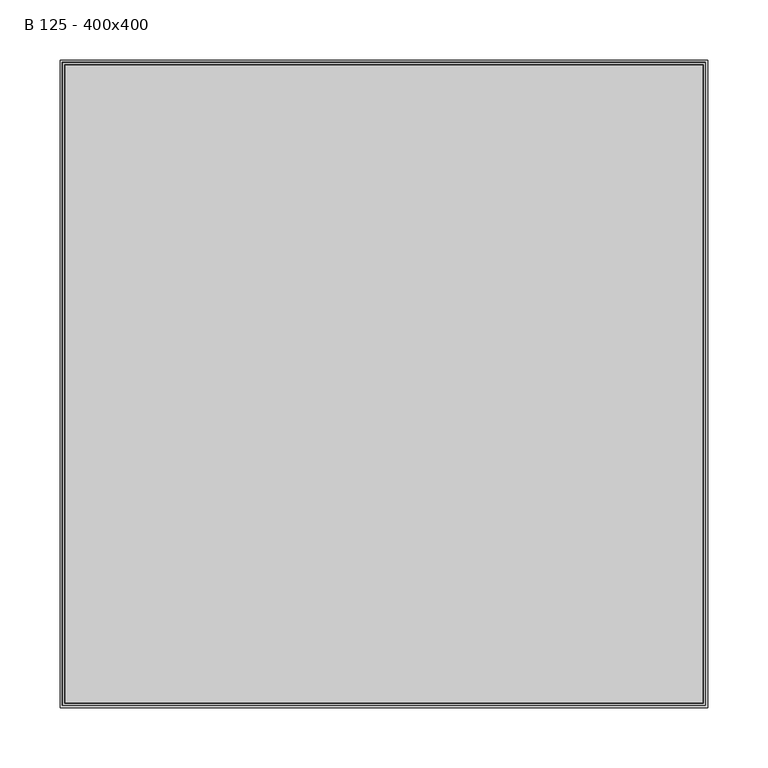
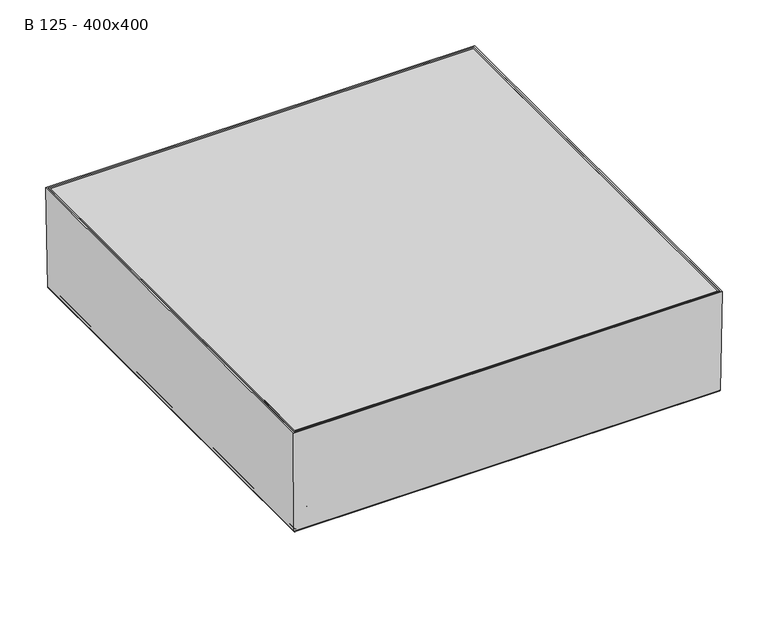
"""IFC4 building model written with IfcOpenShell, lengths in millimetres: proxy geometry, B 125 - 400x400."""

from ifc_helpers import new_model, si_unit, frame, origin, place, context, project, spatial, polyline, ellipse_curve, outline, extrude, faceted_brep, source, transform, mapped, element, save
from ifc_brep_helpers import plane_surface, cylinder_surface, revolved_surface, advanced_brep


def b_125_400x400_27d3137f(model_context):
    return source(origin(), model_context, "Body", "SolidModel", [
        extrude(outline(polyline([(265.4987812, 265.4987812), (265.4987812, -265.4987812), (-265.4987812, -265.4987812), (-265.4987812, 265.4987812), (265.4987812, 265.4987812)])), frame((0.0, 0.0, -5.0), z_axis=(0.0, 0.0, 1.0), x_axis=(1.0, 0.0, 0.0)), (0.0, 0.0, 1.0), 5.0),
        faceted_brep([(261.3786863, 261.3786863, -117.9987834), (-261.3786863, 261.3786863, -117.9987834), (-261.3786863, -261.3786863, -117.9987834), (261.3786863, -261.3786863, -117.9987834), (263.3100297, 263.3100297, -120.0), (263.3100297, -263.3100297, -120.0), (-263.3100297, -263.3100297, -120.0), (-263.3100297, 263.3100297, -120.0), (267.5, 267.5, 0.0), (267.5, -267.5, 0.0), (-267.5, -267.5, 0.0), (-267.5, 267.5, 0.0), (265.4987812, -265.4987812, 0.0), (265.4987812, 265.4987812, 0.0), (-265.4987812, -265.4987812, 0.0), (-265.4987812, 265.4987812, 0.0)], [[[0, 1, 2, 3]], [[4, 5, 6, 7]], [[4, 8, 9, 5]], [[5, 9, 10, 6]], [[6, 10, 11, 7]], [[8, 4, 7, 11]], [[0, 3, 12, 13]], [[3, 2, 14, 12]], [[2, 1, 15, 14]], [[1, 0, 13, 15]], [[9, 8, 11, 10], [13, 12, 14, 15]]]),
        extrude(outline(polyline([(-175.0, 135.0), (-165.0, 135.0), (-165.0, 5.0), (165.0, 5.0), (165.0, 135.0), (175.0, 135.0), (175.0, -135.0), (165.0, -135.0), (165.0, -5.0), (-165.0, -5.0), (-165.0, -135.0), (-175.0, -135.0), (-175.0, 135.0)])), frame((0.0, 0.0, -187.1), z_axis=(0.0, 0.0, 1.0), x_axis=(1.0, 0.0, 0.0)), (0.0, 0.0, 1.0), 43.1),
        extrude(outline(polyline([(135.0, 175.0), (135.0, 165.0), (5.0, 165.0), (5.0, -165.0), (135.0, -165.0), (135.0, -175.0), (-135.0, -175.0), (-135.0, -165.0), (-5.0, -165.0), (-5.0, 165.0), (-135.0, 165.0), (-135.0, 175.0), (135.0, 175.0)])), frame((0.0, 0.0, -187.1), z_axis=(0.0, 0.0, 1.0), x_axis=(1.0, 0.0, 0.0)), (0.0, 0.0, 1.0), 43.1),
        advanced_brep(
        [(266.5603915, 266.5603915, -133.0), (267.8917116, 267.8917116, -131.7973005), (267.8917116, -267.8917116, -131.7973005), (266.5603915, -266.5603915, -133.0), (233.991936, 233.991936, -133.5068236), (234.8495131, 234.8495131, -133.0), (234.8495131, -234.8495131, -133.0), (233.991936, -233.991936, -133.5068236), (224.0430631, 224.0430631, -143.4568727), (224.0430631, -224.0430631, -143.4568727), (223.0631773, 223.0631773, -144.0), (223.0631773, -223.0631773, -144.0), (200.0, 200.0, -142.0), (202.0, 202.0, -144.0), (202.0, -202.0, -144.0), (200.0, -200.0, -142.0), (200.0, 200.0, -131.0), (200.0, -200.0, -131.0), (202.0, 202.0, -131.0), (202.0, -202.0, -131.0), (202.0, -202.0, -140.1412819), (202.0, 202.0, -140.1412819), (203.5596496, 203.5596496, -142.0), (203.5596496, -203.5596496, -142.0), (223.1238392, 223.1238392, -141.5476755), (222.3710448, 222.3710448, -142.0), (222.3710448, -222.3710448, -142.0), (223.1238392, -223.1238392, -141.5476755), (233.2056833, 233.2056833, -131.4646396), (233.2056833, -233.2056833, -131.4646396), (234.1109139, 234.1109139, -130.9987834), (234.1109139, -234.1109139, -130.9987834), (265.914412, 265.914412, -129.9192491), (264.7898686, 264.7898686, -130.9987834), (264.7898686, -264.7898686, -130.9987834), (265.914412, -265.914412, -129.9192491), (267.4987388, 267.4987388, 0.0), (267.4987388, -267.4987388, 0.0), (269.4989406, 269.4989406, 0.0), (269.4989406, -269.4989406, 0.0), (-267.8917116, -267.8917116, -131.7973005), (-266.5603915, -266.5603915, -133.0), (-234.8495131, -234.8495131, -133.0), (-233.991936, -233.991936, -133.5068236), (-224.0430631, -224.0430631, -143.4568727), (-223.0631773, -223.0631773, -144.0), (-202.0, -202.0, -144.0), (-200.0, -200.0, -142.0), (-200.0, -200.0, -131.0), (-202.0, -202.0, -131.0), (-202.0, -202.0, -140.1412819), (-203.5596496, -203.5596496, -142.0), (-222.3710448, -222.3710448, -142.0), (-223.1238392, -223.1238392, -141.5476755), (-233.2056833, -233.2056833, -131.4646396), (-234.1109139, -234.1109139, -130.9987834), (-264.7898686, -264.7898686, -130.9987834), (-265.914412, -265.914412, -129.9192491), (-267.4987388, -267.4987388, 0.0), (-269.4989406, -269.4989406, 0.0), (-267.8917116, 267.8917116, -131.7973005), (-266.5603915, 266.5603915, -133.0), (-234.8495131, 234.8495131, -133.0), (-233.991936, 233.991936, -133.5068236), (-224.0430631, 224.0430631, -143.4568727), (-223.0631773, 223.0631773, -144.0), (-202.0, 202.0, -144.0), (-200.0, 200.0, -142.0), (-200.0, 200.0, -131.0), (-202.0, 202.0, -131.0), (-202.0, 202.0, -140.1412819), (-203.5596496, 203.5596496, -142.0), (-222.3710448, 222.3710448, -142.0), (-223.1238392, 223.1238392, -141.5476755), (-233.2056833, 233.2056833, -131.4646396), (-234.1109139, 234.1109139, -130.9987834), (-264.7898686, 264.7898686, -130.9987834), (-265.914412, 265.914412, -129.9192491), (-267.4987388, 267.4987388, 0.0), (-269.4989406, 269.4989406, 0.0)],
        [
            (0, 1, ellipse_curve(frame((266.5603915, 266.5603915, -131.6618023), z_axis=(0.7071067811865475, -0.7071067811865475, 0.0), x_axis=(0.7071067811865474, 0.7071067811865476, 0.0)), 1.8924973, 1.3381977)),
            (1, 2),
            (2, 3, ellipse_curve(frame((266.5603915, -266.5603915, -131.6618023), z_axis=(0.7071067811865475, 0.7071067811865475, 0.0), x_axis=(-0.7071067811865474, 0.7071067811865476, 0.0)), 1.8924973, 1.3381977)),
            (3, 0),
            (4, 5, ellipse_curve(frame((235.4062332, 235.4062332, -134.9209536), z_axis=(-0.7071067811865475, 0.7071067811865475, 0.0), x_axis=(-0.7071067811865474, -0.7071067811865476, 0.0)), 2.8284271, 2.0)),
            (5, 6),
            (6, 7, ellipse_curve(frame((235.4062332, -235.4062332, -134.9209536), z_axis=(-0.7071067811865475, -0.7071067811865475, 0.0), x_axis=(0.7071067811865474, -0.7071067811865476, 0.0)), 2.8284271, 2.0)),
            (7, 4),
            (8, 4),
            (7, 9),
            (9, 8),
            (10, 8, ellipse_curve(frame((221.5169048, 221.5169048, -140.0547885), z_axis=(0.7071067811865475, -0.7071067811865475, 0.0), x_axis=(0.7071067811865474, 0.7071067811865476, 0.0)), 5.9926042, 4.237411)),
            (9, 11, ellipse_curve(frame((221.5169048, -221.5169048, -140.0547885), z_axis=(0.7071067811865475, 0.7071067811865475, 0.0), x_axis=(-0.7071067811865474, 0.7071067811865476, 0.0)), 5.9926042, 4.237411)),
            (11, 10),
            (12, 13, ellipse_curve(frame((203.5491099, 203.5491099, -140.4508901), z_axis=(0.7071067811865475, -0.7071067811865475, 0.0), x_axis=(0.7071067811865474, 0.7071067811865476, 0.0)), 5.4764811, 3.872457)),
            (13, 14),
            (14, 15, ellipse_curve(frame((203.5491099, -203.5491099, -140.4508901), z_axis=(0.7071067811865475, 0.7071067811865475, 0.0), x_axis=(-0.7071067811865474, 0.7071067811865476, 0.0)), 5.4764811, 3.872457)),
            (15, 12),
            (16, 12),
            (15, 17),
            (17, 16),
            (18, 19),
            (19, 20),
            (20, 21),
            (21, 18),
            (22, 21, ellipse_curve(frame((203.9978512, 203.9978512, -140.0485955), z_axis=(-0.7071067811865475, 0.7071067811865475, 0.0), x_axis=(-0.7071067811865474, -0.7071067811865476, 0.0)), 2.8284271, 2.0)),
            (20, 23, ellipse_curve(frame((203.9978512, -203.9978512, -140.0485955), z_axis=(-0.7071067811865475, -0.7071067811865475, 0.0), x_axis=(0.7071067811865474, -0.7071067811865476, 0.0)), 2.8284271, 2.0)),
            (23, 22),
            (24, 25, ellipse_curve(frame((221.7425005, 221.7425005, -140.1013342), z_axis=(-0.7071067811865475, 0.7071067811865475, 0.0), x_axis=(-0.7071067811865474, -0.7071067811865476, 0.0)), 2.8284271, 2.0)),
            (25, 26),
            (26, 27, ellipse_curve(frame((221.7425005, -221.7425005, -140.1013342), z_axis=(-0.7071067811865475, -0.7071067811865475, 0.0), x_axis=(0.7071067811865474, -0.7071067811865476, 0.0)), 2.8284271, 2.0)),
            (27, 24),
            (28, 24),
            (27, 29),
            (29, 28),
            (30, 28, ellipse_curve(frame((234.4486156, 234.4486156, -132.7674195), z_axis=(0.7071067811865475, -0.7071067811865475, 0.0), x_axis=(0.7071067811865474, 0.7071067811865476, 0.0)), 2.5464155, 1.8005877)),
            (29, 31, ellipse_curve(frame((234.4486156, -234.4486156, -132.7674195), z_axis=(0.7071067811865475, 0.7071067811865475, 0.0), x_axis=(-0.7071067811865474, 0.7071067811865476, 0.0)), 2.5464155, 1.8005877)),
            (31, 30),
            (32, 33, ellipse_curve(frame((264.625281, 264.625281, -129.7018519), z_axis=(-0.7071067811865475, 0.7071067811865475, 0.0), x_axis=(-0.7071067811865474, -0.7071067811865476, 0.0)), 1.8488485, 1.3073333)),
            (33, 34),
            (34, 35, ellipse_curve(frame((264.625281, -264.625281, -129.7018519), z_axis=(-0.7071067811865475, -0.7071067811865475, 0.0), x_axis=(0.7071067811865474, -0.7071067811865476, 0.0)), 1.8488485, 1.3073333)),
            (35, 32),
            (36, 32),
            (35, 37),
            (37, 36),
            (1, 38),
            (38, 39),
            (39, 2),
            (2, 40),
            (40, 41, ellipse_curve(frame((-266.5603915, -266.5603915, -131.6618023), z_axis=(0.7071067811865475, -0.7071067811865475, 0.0), x_axis=(0.7071067811865476, 0.7071067811865474, 0.0)), 1.8924973, 1.3381977)),
            (41, 3),
            (6, 42),
            (42, 43, ellipse_curve(frame((-235.4062332, -235.4062332, -134.9209536), z_axis=(-0.7071067811865475, 0.7071067811865475, 0.0), x_axis=(-0.7071067811865476, -0.7071067811865474, 0.0)), 2.8284271, 2.0)),
            (43, 7),
            (43, 44),
            (44, 9),
            (44, 45, ellipse_curve(frame((-221.5169048, -221.5169048, -140.0547885), z_axis=(0.7071067811865475, -0.7071067811865475, 0.0), x_axis=(0.7071067811865476, 0.7071067811865474, 0.0)), 5.9926042, 4.237411)),
            (45, 11),
            (14, 46),
            (46, 47, ellipse_curve(frame((-203.5491099, -203.5491099, -140.4508901), z_axis=(0.7071067811865475, -0.7071067811865475, 0.0), x_axis=(0.7071067811865476, 0.7071067811865474, 0.0)), 5.4764811, 3.872457)),
            (47, 15),
            (47, 48),
            (48, 17),
            (19, 49),
            (49, 50),
            (50, 20),
            (50, 51, ellipse_curve(frame((-203.9978512, -203.9978512, -140.0485955), z_axis=(-0.7071067811865475, 0.7071067811865475, 0.0), x_axis=(-0.7071067811865476, -0.7071067811865474, 0.0)), 2.8284271, 2.0)),
            (51, 23),
            (26, 52),
            (52, 53, ellipse_curve(frame((-221.7425005, -221.7425005, -140.1013342), z_axis=(-0.7071067811865475, 0.7071067811865475, 0.0), x_axis=(-0.7071067811865476, -0.7071067811865474, 0.0)), 2.8284271, 2.0)),
            (53, 27),
            (53, 54),
            (54, 29),
            (54, 55, ellipse_curve(frame((-234.4486156, -234.4486156, -132.7674195), z_axis=(0.7071067811865475, -0.7071067811865475, 0.0), x_axis=(0.7071067811865476, 0.7071067811865474, 0.0)), 2.5464155, 1.8005877)),
            (55, 31),
            (34, 56),
            (56, 57, ellipse_curve(frame((-264.625281, -264.625281, -129.7018519), z_axis=(-0.7071067811865475, 0.7071067811865475, 0.0), x_axis=(-0.7071067811865476, -0.7071067811865474, 0.0)), 1.8488485, 1.3073333)),
            (57, 35),
            (57, 58),
            (58, 37),
            (39, 59),
            (59, 40),
            (40, 60),
            (60, 61, ellipse_curve(frame((-266.5603915, 266.5603915, -131.6618023), z_axis=(-0.7071067811865475, -0.7071067811865475, 0.0), x_axis=(0.7071067811865474, -0.7071067811865476, 0.0)), 1.8924973, 1.3381977)),
            (61, 41),
            (42, 62),
            (62, 63, ellipse_curve(frame((-235.4062332, 235.4062332, -134.9209536), z_axis=(0.7071067811865475, 0.7071067811865475, 0.0), x_axis=(-0.7071067811865474, 0.7071067811865476, 0.0)), 2.8284271, 2.0)),
            (63, 43),
            (63, 64),
            (64, 44),
            (64, 65, ellipse_curve(frame((-221.5169048, 221.5169048, -140.0547885), z_axis=(-0.7071067811865475, -0.7071067811865475, 0.0), x_axis=(0.7071067811865474, -0.7071067811865476, 0.0)), 5.9926042, 4.237411)),
            (65, 45),
            (46, 66),
            (66, 67, ellipse_curve(frame((-203.5491099, 203.5491099, -140.4508901), z_axis=(-0.7071067811865475, -0.7071067811865475, 0.0), x_axis=(0.7071067811865474, -0.7071067811865476, 0.0)), 5.4764811, 3.872457)),
            (67, 47),
            (67, 68),
            (68, 48),
            (49, 69),
            (69, 70),
            (70, 50),
            (70, 71, ellipse_curve(frame((-203.9978512, 203.9978512, -140.0485955), z_axis=(0.7071067811865475, 0.7071067811865475, 0.0), x_axis=(-0.7071067811865474, 0.7071067811865476, 0.0)), 2.8284271, 2.0)),
            (71, 51),
            (52, 72),
            (72, 73, ellipse_curve(frame((-221.7425005, 221.7425005, -140.1013342), z_axis=(0.7071067811865475, 0.7071067811865475, 0.0), x_axis=(-0.7071067811865474, 0.7071067811865476, 0.0)), 2.8284271, 2.0)),
            (73, 53),
            (73, 74),
            (74, 54),
            (74, 75, ellipse_curve(frame((-234.4486156, 234.4486156, -132.7674195), z_axis=(-0.7071067811865475, -0.7071067811865475, 0.0), x_axis=(0.7071067811865474, -0.7071067811865476, 0.0)), 2.5464155, 1.8005877)),
            (75, 55),
            (56, 76),
            (76, 77, ellipse_curve(frame((-264.625281, 264.625281, -129.7018519), z_axis=(0.7071067811865475, 0.7071067811865475, 0.0), x_axis=(-0.7071067811865474, 0.7071067811865476, 0.0)), 1.8488485, 1.3073333)),
            (77, 57),
            (77, 78),
            (78, 58),
            (59, 79),
            (79, 60),
            (60, 1),
            (0, 61),
            (5, 62),
            (4, 63),
            (8, 64),
            (10, 65),
            (13, 66),
            (12, 67),
            (16, 68),
            (18, 69),
            (21, 70),
            (22, 71),
            (25, 72),
            (24, 73),
            (28, 74),
            (30, 75),
            (33, 76),
            (32, 77),
            (36, 78),
            (38, 79),
        ],
        [
            cylinder_surface(frame((266.5603915, 269.5, -131.6618023), z_axis=(0.0, 1.0, 0.0), x_axis=(1.0, 0.0, 0.0)), 1.3381977),
            revolved_surface(polyline([(237.4062332, -237.40623318250175, -134.9209536), (237.4062332, 237.4062331825018, -134.9209536)]), (235.4062332, 269.5, -134.9209536), (0.0, -1.0, 0.0)),
            plane_surface(frame((233.991936, 233.991936, -133.5068236), z_axis=(0.7071485734026342, 0.0, -0.7070649865002647), x_axis=(0.0, -1.0, 0.0))),
            cylinder_surface(frame((221.5169048, 269.5, -140.0547885), z_axis=(0.0, 1.0, 0.0), x_axis=(1.0, 0.0, 0.0)), 4.237411),
            cylinder_surface(frame((203.5491099, 269.5, -140.4508901), z_axis=(0.0, 1.0, 0.0), x_axis=(1.0, 0.0, 0.0)), 3.872457),
            plane_surface(frame((200.0, 200.0, -142.0), z_axis=(-1.0, 0.0, 0.0), x_axis=(0.0, -1.0, 0.0))),
            plane_surface(frame((202.0, 202.0, -133.0), z_axis=(1.0, 0.0, 0.0), x_axis=(0.0, -1.0, 0.0))),
            revolved_surface(polyline([(205.9978512, -205.9978511825018, -140.0485955), (205.9978512, 205.99785118250182, -140.0485955)]), (203.9978512, 269.5, -140.0485955), (0.0, -1.0, 0.0)),
            revolved_surface(polyline([(223.7425005, -223.74250048250178, -140.1013342), (223.7425005, 223.7425004825018, -140.1013342)]), (221.7425005, 269.5, -140.1013342), (0.0, -1.0, 0.0)),
            plane_surface(frame((223.1238392, 223.1238392, -141.5476755), z_axis=(-0.7071485734026327, 0.0, 0.7070649865002662), x_axis=(0.0, -1.0, 0.0))),
            cylinder_surface(frame((234.4486156, 269.5, -132.7674195), z_axis=(0.0, 1.0, 0.0), x_axis=(1.0, 0.0, 0.0)), 1.8005877),
            revolved_surface(polyline([(265.93261429999995, -265.93261431173653, -129.7018519), (265.93261429999995, 265.93261431173653, -129.7018519)]), (264.625281, 269.5, -129.7018519), (0.0, -1.0, 0.0)),
            plane_surface(frame((265.914412, 265.914412, -129.9192491), z_axis=(-0.9999256528891831, 0.0, 0.01219379736345606), x_axis=(0.0, -1.0, 0.0))),
            plane_surface(frame((269.4989406, 269.4989406, 0.0), z_axis=(0.9999256528891831, 0.0, -0.012193797363456096), x_axis=(0.0, -1.0, 0.0))),
            cylinder_surface(frame((269.5, -266.5603915, -131.6618023), z_axis=(1.0, 0.0, 0.0), x_axis=(0.0, -1.0, 0.0)), 1.3381977),
            revolved_surface(polyline([(-237.40623318250175, -237.4062332, -134.9209536), (237.4062331825018, -237.4062332, -134.9209536)]), (269.5, -235.4062332, -134.9209536), (-1.0, 0.0, 0.0)),
            plane_surface(frame((233.991936, -233.991936, -133.5068236), z_axis=(0.0, -0.7071485734026342, -0.7070649865002647), x_axis=(-1.0, 0.0, 0.0))),
            cylinder_surface(frame((269.5, -221.5169048, -140.0547885), z_axis=(1.0, 0.0, 0.0), x_axis=(0.0, -1.0, 0.0)), 4.237411),
            cylinder_surface(frame((269.5, -203.5491099, -140.4508901), z_axis=(1.0, 0.0, 0.0), x_axis=(0.0, -1.0, 0.0)), 3.872457),
            plane_surface(frame((200.0, -200.0, -142.0), z_axis=(0.0, 1.0, 0.0), x_axis=(-1.0, 0.0, 0.0))),
            plane_surface(frame((202.0, -202.0, -133.0), z_axis=(0.0, -1.0, 0.0), x_axis=(-1.0, 0.0, 0.0))),
            revolved_surface(polyline([(-205.9978511825018, -205.9978512, -140.0485955), (205.99785118250182, -205.9978512, -140.0485955)]), (269.5, -203.9978512, -140.0485955), (-1.0, 0.0, 0.0)),
            revolved_surface(polyline([(-223.74250048250178, -223.7425005, -140.1013342), (223.7425004825018, -223.7425005, -140.1013342)]), (269.5, -221.7425005, -140.1013342), (-1.0, 0.0, 0.0)),
            plane_surface(frame((223.1238392, -223.1238392, -141.5476755), z_axis=(0.0, 0.7071485734026327, 0.7070649865002662), x_axis=(-1.0, 0.0, 0.0))),
            cylinder_surface(frame((269.5, -234.4486156, -132.7674195), z_axis=(1.0, 0.0, 0.0), x_axis=(0.0, -1.0, 0.0)), 1.8005877),
            revolved_surface(polyline([(-265.93261431173653, -265.93261429999995, -129.7018519), (265.93261431173653, -265.93261429999995, -129.7018519)]), (269.5, -264.625281, -129.7018519), (-1.0, 0.0, 0.0)),
            plane_surface(frame((265.914412, -265.914412, -129.9192491), z_axis=(0.0, 0.9999256528891831, 0.01219379736345606), x_axis=(-1.0, 0.0, 0.0))),
            plane_surface(frame((269.4989406, -269.4989406, 0.0), z_axis=(0.0, -0.9999256528891831, -0.012193797363456096), x_axis=(-1.0, 0.0, 0.0))),
            cylinder_surface(frame((-266.5603915, -269.5, -131.6618023), z_axis=(0.0, -1.0, 0.0), x_axis=(-1.0, 0.0, 0.0)), 1.3381977),
            revolved_surface(polyline([(-237.4062332, 237.40623318250175, -134.9209536), (-237.4062332, -237.4062331825018, -134.9209536)]), (-235.4062332, -269.5, -134.9209536), (0.0, 1.0, 0.0)),
            plane_surface(frame((-233.991936, -233.991936, -133.5068236), z_axis=(-0.7071485734026342, 0.0, -0.7070649865002647), x_axis=(0.0, 1.0, 0.0))),
            cylinder_surface(frame((-221.5169048, -269.5, -140.0547885), z_axis=(0.0, -1.0, 0.0), x_axis=(-1.0, 0.0, 0.0)), 4.237411),
            cylinder_surface(frame((-203.5491099, -269.5, -140.4508901), z_axis=(0.0, -1.0, 0.0), x_axis=(-1.0, 0.0, 0.0)), 3.872457),
            plane_surface(frame((-200.0, -200.0, -142.0), z_axis=(1.0, 0.0, 0.0), x_axis=(0.0, 1.0, 0.0))),
            plane_surface(frame((-202.0, -202.0, -133.0), z_axis=(-1.0, 0.0, 0.0), x_axis=(0.0, 1.0, 0.0))),
            revolved_surface(polyline([(-205.9978512, 205.9978511825018, -140.0485955), (-205.9978512, -205.99785118250182, -140.0485955)]), (-203.9978512, -269.5, -140.0485955), (0.0, 1.0, 0.0)),
            revolved_surface(polyline([(-223.7425005, 223.74250048250178, -140.1013342), (-223.7425005, -223.7425004825018, -140.1013342)]), (-221.7425005, -269.5, -140.1013342), (0.0, 1.0, 0.0)),
            plane_surface(frame((-223.1238392, -223.1238392, -141.5476755), z_axis=(0.7071485734026327, 0.0, 0.7070649865002662), x_axis=(0.0, 1.0, 0.0))),
            cylinder_surface(frame((-234.4486156, -269.5, -132.7674195), z_axis=(0.0, -1.0, 0.0), x_axis=(-1.0, 0.0, 0.0)), 1.8005877),
            revolved_surface(polyline([(-265.93261429999995, 265.93261431173653, -129.7018519), (-265.93261429999995, -265.93261431173653, -129.7018519)]), (-264.625281, -269.5, -129.7018519), (0.0, 1.0, 0.0)),
            plane_surface(frame((-265.914412, -265.914412, -129.9192491), z_axis=(0.9999256528891831, 0.0, 0.01219379736345606), x_axis=(0.0, 1.0, 0.0))),
            plane_surface(frame((-269.4989406, -269.4989406, 0.0), z_axis=(-0.9999256528891831, 0.0, -0.012193797363456096), x_axis=(0.0, 1.0, 0.0))),
            cylinder_surface(frame((-269.5, 266.5603915, -131.6618023), z_axis=(-1.0, 0.0, 0.0), x_axis=(0.0, 1.0, 0.0)), 1.3381977),
            plane_surface(frame((-266.5603915, 266.5603915, -133.0), z_axis=(0.0, 0.0, -1.0), x_axis=(1.0, 0.0, 0.0))),
            revolved_surface(polyline([(237.40623318250175, 237.4062332, -134.9209536), (-237.4062331825018, 237.4062332, -134.9209536)]), (-269.5, 235.4062332, -134.9209536), (1.0, 0.0, 0.0)),
            plane_surface(frame((-233.991936, 233.991936, -133.5068236), z_axis=(0.0, 0.7071485734026342, -0.7070649865002647), x_axis=(1.0, 0.0, 0.0))),
            cylinder_surface(frame((-269.5, 221.5169048, -140.0547885), z_axis=(-1.0, 0.0, 0.0), x_axis=(0.0, 1.0, 0.0)), 4.237411),
            plane_surface(frame((-223.0631773, 223.0631773, -144.0), z_axis=(0.0, 0.0, -1.0), x_axis=(1.0, 0.0, 0.0))),
            cylinder_surface(frame((-269.5, 203.5491099, -140.4508901), z_axis=(-1.0, 0.0, 0.0), x_axis=(0.0, 1.0, 0.0)), 3.872457),
            plane_surface(frame((-200.0, 200.0, -142.0), z_axis=(0.0, -1.0, 0.0), x_axis=(1.0, 0.0, 0.0))),
            plane_surface(frame((-200.0, 200.0, -131.0), z_axis=(0.0, 0.0, 1.0), x_axis=(1.0, 0.0, 0.0))),
            plane_surface(frame((-202.0, 202.0, -133.0), z_axis=(0.0, 1.0, 0.0), x_axis=(1.0, 0.0, 0.0))),
            revolved_surface(polyline([(205.9978511825018, 205.9978512, -140.0485955), (-205.99785118250182, 205.9978512, -140.0485955)]), (-269.5, 203.9978512, -140.0485955), (1.0, 0.0, 0.0)),
            plane_surface(frame((-203.5596496, 203.5596496, -142.0), z_axis=(0.0, 0.0, 1.0), x_axis=(1.0, 0.0, 0.0))),
            revolved_surface(polyline([(223.74250048250178, 223.7425005, -140.1013342), (-223.7425004825018, 223.7425005, -140.1013342)]), (-269.5, 221.7425005, -140.1013342), (1.0, 0.0, 0.0)),
            plane_surface(frame((-223.1238392, 223.1238392, -141.5476755), z_axis=(0.0, -0.7071485734026327, 0.7070649865002662), x_axis=(1.0, 0.0, 0.0))),
            cylinder_surface(frame((-269.5, 234.4486156, -132.7674195), z_axis=(-1.0, 0.0, 0.0), x_axis=(0.0, 1.0, 0.0)), 1.8005877),
            plane_surface(frame((-234.1109139, 234.1109139, -130.9987834), z_axis=(0.0, 0.0, 1.0), x_axis=(1.0, 0.0, 0.0))),
            revolved_surface(polyline([(265.93261431173653, 265.93261429999995, -129.7018519), (-265.93261431173653, 265.93261429999995, -129.7018519)]), (-269.5, 264.625281, -129.7018519), (1.0, 0.0, 0.0)),
            plane_surface(frame((-265.914412, 265.914412, -129.9192491), z_axis=(0.0, -0.9999256528891831, 0.01219379736345606), x_axis=(1.0, 0.0, 0.0))),
            plane_surface(frame((-267.4987388, 267.4987388, 0.0), z_axis=(0.0, 0.0, 1.0), x_axis=(1.0, 0.0, 0.0))),
            plane_surface(frame((-269.4989406, 269.4989406, 0.0), z_axis=(0.0, 0.9999256528891831, -0.012193797363456096), x_axis=(1.0, 0.0, 0.0))),
        ],
        [
            (0, [[1, 2, 3, 4]]),
            (1, [[5, 6, 7, 8]]),
            (2, [[9, -8, 10, 11]]),
            (3, [[12, -11, 13, 14]]),
            (4, [[15, 16, 17, 18]]),
            (5, [[19, -18, 20, 21]]),
            (6, [[22, 23, 24, 25]]),
            (7, [[26, -24, 27, 28]]),
            (8, [[29, 30, 31, 32]]),
            (9, [[33, -32, 34, 35]]),
            (10, [[36, -35, 37, 38]]),
            (11, [[39, 40, 41, 42]]),
            (12, [[43, -42, 44, 45]]),
            (13, [[46, 47, 48, -2]]),
            (14, [[-3, 49, 50, 51]]),
            (15, [[-7, 52, 53, 54]]),
            (16, [[-10, -54, 55, 56]]),
            (17, [[-13, -56, 57, 58]]),
            (18, [[-17, 59, 60, 61]]),
            (19, [[-20, -61, 62, 63]]),
            (20, [[-23, 64, 65, 66]]),
            (21, [[-27, -66, 67, 68]]),
            (22, [[-31, 69, 70, 71]]),
            (23, [[-34, -71, 72, 73]]),
            (24, [[-37, -73, 74, 75]]),
            (25, [[-41, 76, 77, 78]]),
            (26, [[-44, -78, 79, 80]]),
            (27, [[-48, 81, 82, -49]]),
            (28, [[-50, 83, 84, 85]]),
            (29, [[-53, 86, 87, 88]]),
            (30, [[-55, -88, 89, 90]]),
            (31, [[-57, -90, 91, 92]]),
            (32, [[-60, 93, 94, 95]]),
            (33, [[-62, -95, 96, 97]]),
            (34, [[-65, 98, 99, 100]]),
            (35, [[-67, -100, 101, 102]]),
            (36, [[-70, 103, 104, 105]]),
            (37, [[-72, -105, 106, 107]]),
            (38, [[-74, -107, 108, 109]]),
            (39, [[-77, 110, 111, 112]]),
            (40, [[-79, -112, 113, 114]]),
            (41, [[-82, 115, 116, -83]]),
            (42, [[-84, 117, -1, 118]]),
            (43, [[-51, -85, -118, -4], [119, -86, -52, -6]]),
            (44, [[-87, -119, -5, 120]]),
            (45, [[-89, -120, -9, 121]]),
            (46, [[-91, -121, -12, 122]]),
            (47, [[-58, -92, -122, -14], [123, -93, -59, -16]]),
            (48, [[-94, -123, -15, 124]]),
            (49, [[-96, -124, -19, 125]]),
            (50, [[126, -98, -64, -22], [-63, -97, -125, -21]]),
            (51, [[-99, -126, -25, 127]]),
            (52, [[-101, -127, -26, 128]]),
            (53, [[129, -103, -69, -30], [-68, -102, -128, -28]]),
            (54, [[-104, -129, -29, 130]]),
            (55, [[-106, -130, -33, 131]]),
            (56, [[-108, -131, -36, 132]]),
            (57, [[133, -110, -76, -40], [-75, -109, -132, -38]]),
            (58, [[-111, -133, -39, 134]]),
            (59, [[-113, -134, -43, 135]]),
            (60, [[136, -115, -81, -47], [-80, -114, -135, -45]]),
            (61, [[-116, -136, -46, -117]]),
        ],
    ),
    ])


if __name__ == "__main__":
    model = new_model("IFC4")
    model_context = context("Model", 3, world=origin())
    ifc_project = project(units=[si_unit("LENGTHUNIT", "METRE", prefix="MILLI")], contexts=[model_context])
    site = spatial("IfcSite", under=ifc_project)
    building = spatial("IfcBuilding", under=site)
    placement = place(None, origin())
    b_125_400x400_shape = b_125_400x400_27d3137f(model_context)
    element("IfcBuildingElementProxy", 1, Name="B 125 - 400x400", ObjectType="B 125 - 400x400", at=placement, inside=building, context=model_context, shape_type="MappedRepresentation", body=[
        mapped(b_125_400x400_shape, transform((0.0, 0.0, 0.0), x_axis=(1.0, 0.0, 0.0), y_axis=(0.0, 1.0, 0.0), z_axis=(0.0, 0.0, 1.0))),
    ])
    save(model, "model.ifc")
